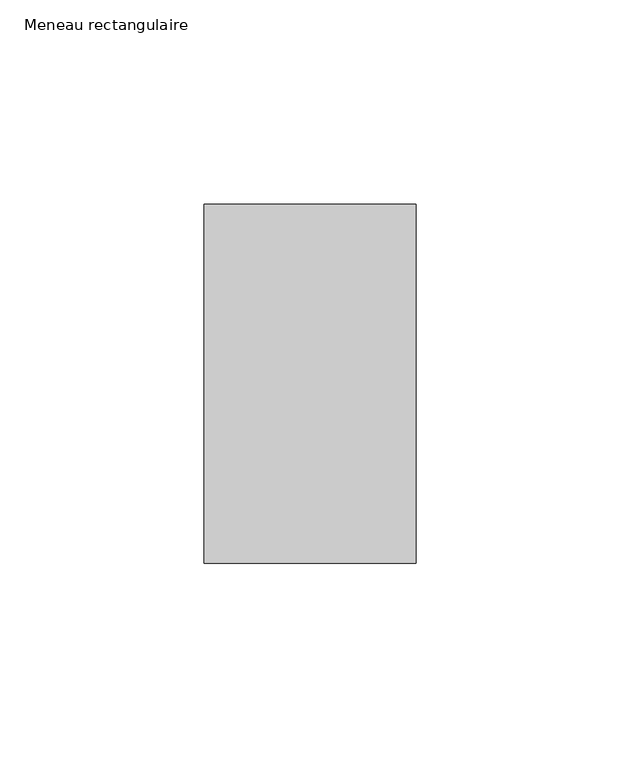
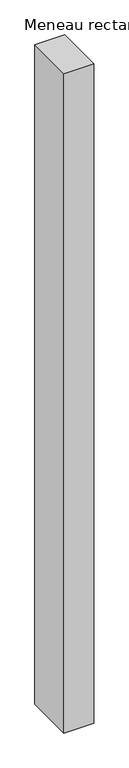
"""IFC4 building model written with IfcOpenShell, lengths in millimetres: member geometry, Meneau rectangulaire."""

from ifc_helpers import new_model, si_unit, frame, origin, place, context, project, spatial, polyline, outline, extrude, source, transform, mapped, element, save


def meneau_rectangulaire_5ea8c5b2(model_context):
    return source(origin(), model_context, "Body", "SweptSolid", [
        extrude(outline(polyline([(-52.0, 44.0), (0.0, 44.0), (0.0, -44.0), (-52.0, -44.0), (-52.0, 44.0)])), frame((0.0, 0.0, -1219.6250002), z_axis=(0.0, 0.0, 1.0), x_axis=(1.0, 0.0, 0.0)), (0.0, 0.0, 1.0), 1219.6250002),
    ])


if __name__ == "__main__":
    model = new_model("IFC4")
    model_context = context("Model", 3, world=origin())
    ifc_project = project(units=[si_unit("LENGTHUNIT", "METRE", prefix="MILLI")], contexts=[model_context])
    site = spatial("IfcSite", under=ifc_project)
    building = spatial("IfcBuilding", under=site)
    placement = place(None, origin())
    meneau_rectangulaire_shape = meneau_rectangulaire_5ea8c5b2(model_context)
    element("IfcMember", 1, ObjectType="Meneau rectangulaire", at=placement, inside=building, context=model_context, shape_type="MappedRepresentation", body=[
        mapped(meneau_rectangulaire_shape, transform((0.0, 0.0, 0.0), x_axis=(1.0, 0.0, 0.0), y_axis=(0.0, 1.0, 0.0), z_axis=(0.0, 0.0, 1.0))),
    ])
    save(model, "model.ifc")
